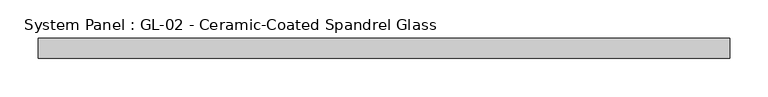
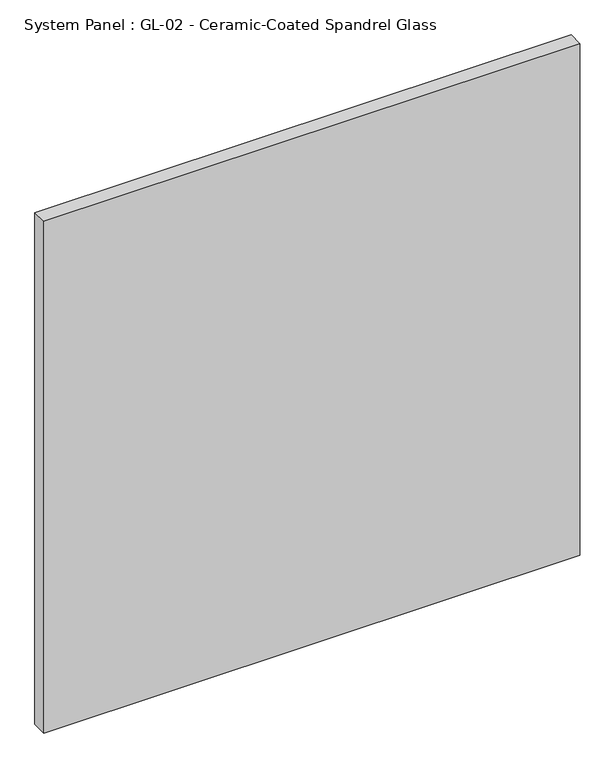
"""IFC4 building model written with IfcOpenShell, lengths in millimetres: plate geometry, System Panel : GL-02 - Ceramic-Coated Spandrel Glass."""

from ifc_helpers import new_model, si_unit, origin, origin_with_axes, place, context, project, spatial, polyline, outline, extrude, source, transform, mapped, element, save


def system_panel_gl_02_ceramic_coated_spandrel_glass_0a4b1465(model_context):
    return source(origin(), model_context, "Body", "SweptSolid", [
        extrude(outline(polyline([(448.7333333, -44.45), (-448.7333333, -44.45), (-448.7333333, -19.05), (448.7333333, -19.05), (448.7333333, -44.45)])), origin_with_axes(), (0.0, 0.0, 1.0), 905.6076923),
    ])


if __name__ == "__main__":
    model = new_model("IFC4")
    model_context = context("Model", 3, world=origin())
    ifc_project = project(units=[si_unit("LENGTHUNIT", "METRE", prefix="MILLI")], contexts=[model_context])
    site = spatial("IfcSite", under=ifc_project)
    building = spatial("IfcBuilding", under=site)
    placement = place(None, origin())
    system_panel_gl_02_ceramic_coated_spandrel_glass_shape = system_panel_gl_02_ceramic_coated_spandrel_glass_0a4b1465(model_context)
    element("IfcPlate", 1, ObjectType="System Panel : GL-02 - Ceramic-Coated Spandrel Glass", at=placement, inside=building, context=model_context, shape_type="MappedRepresentation", body=[
        mapped(system_panel_gl_02_ceramic_coated_spandrel_glass_shape, transform((0.0, 0.0, 0.0), x_axis=(1.0, 0.0, 0.0), y_axis=(0.0, 1.0, 0.0), z_axis=(0.0, 0.0, 1.0))),
    ])
    save(model, "model.ifc")
